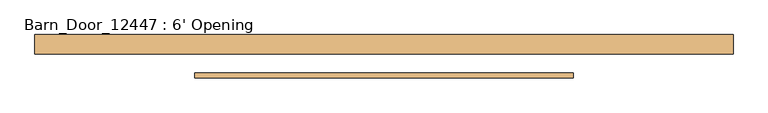
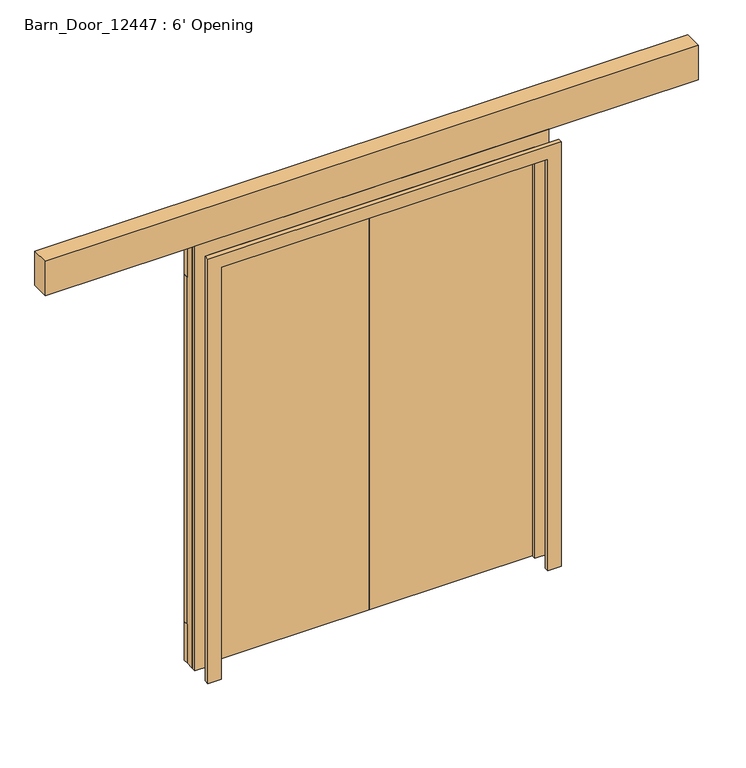
"""IFC4 building model written with IfcOpenShell, lengths in millimetres: door geometry, Barn_Door_12447 : 6' Opening."""

from ifc_helpers import new_model, si_unit, frame, origin, origin_with_axes, place, context, project, spatial, polyline, outline, extrude, source, transform, mapped, element, save


def barn_door_12447_6_opening_7ce40db5(model_context):
    return source(origin(), model_context, "Body", "SweptSolid", [
        extrude(outline(polyline([(2438.4, -914.4), (2438.4, 914.4), (0.0, 914.4), (0.0, 990.6), (2514.6, 990.6), (2514.6, -990.6), (0.0, -990.6), (0.0, -914.4), (2438.4, -914.4)])), frame((0.0, -75.4, 0.0), z_axis=(0.0, 1.0, 0.0), x_axis=(0.0, 0.0, 1.0)), (0.0, 0.0, 1.0), 25.4),
        extrude(outline(polyline([(2438.4, -914.4), (2438.4, 914.4), (0.0, 914.4), (0.0, 990.6), (2514.6, 990.6), (2514.6, -990.6), (0.0, -990.6), (0.0, -914.4), (2438.4, -914.4)])), frame((0.0, 50.0, 0.0), z_axis=(0.0, 1.0, 0.0), x_axis=(0.0, 0.0, 1.0)), (0.0, 0.0, 1.0), 25.4),
        extrude(outline(polyline([(0.0, 126.2), (-990.6, 126.2), (-990.6, 151.6), (0.0, 151.6), (0.0, 126.2)])), frame((0.0, 0.0, 2286.0), z_axis=(0.0, 0.0, 1.0), x_axis=(1.0, 0.0, 0.0)), (0.0, 0.0, 1.0), 228.6),
        extrude(outline(polyline([(0.0, 126.2), (-990.6, 126.2), (-990.6, 151.6), (0.0, 151.6), (0.0, 126.2)])), origin_with_axes(), (0.0, 0.0, 1.0), 228.6),
        extrude(outline(polyline([(990.6, 126.2), (0.0, 126.2), (0.0, 151.6), (990.6, 151.6), (990.6, 126.2)])), frame((0.0, 0.0, 2286.0), z_axis=(0.0, 0.0, 1.0), x_axis=(1.0, 0.0, 0.0)), (0.0, 0.0, 1.0), 228.6),
        extrude(outline(polyline([(990.6, 126.2), (0.0, 126.2), (0.0, 151.6), (990.6, 151.6), (990.6, 126.2)])), origin_with_axes(), (0.0, 0.0, 1.0), 228.6),
        extrude(outline(polyline([(1828.8, 50.0), (-1828.8, 50.0), (-1828.8, 151.6), (1828.8, 151.6), (1828.8, 50.0)])), frame((0.0, 0.0, 2514.6), z_axis=(0.0, 0.0, 1.0), x_axis=(1.0, 0.0, 0.0)), (0.0, 0.0, 1.0), 203.2),
        extrude(outline(polyline([(0.0, 75.4), (-990.6, 75.4), (-990.6, 126.2), (0.0, 126.2), (0.0, 75.4)])), origin_with_axes(), (0.0, 0.0, 1.0), 2590.8),
        extrude(outline(polyline([(990.6, 75.4), (0.0, 75.4), (0.0, 126.2), (990.6, 126.2), (990.6, 75.4)])), origin_with_axes(), (0.0, 0.0, 1.0), 2590.8),
        extrude(outline(polyline([(228.6, -762.0), (228.6, -518.4494226), (2286.0, -228.6), (2286.0, -472.1497882), (228.6, -762.0)])), frame((0.0, 126.2, 0.0), z_axis=(0.0, 1.0, 0.0), x_axis=(0.0, 0.0, 1.0)), (0.0, 0.0, 1.0), 25.4),
        extrude(outline(polyline([(228.6, -228.6), (2286.0, -518.4502118), (2286.0, -762.0), (228.6, -472.1505774), (228.6, -228.6)])), frame((0.0, 126.2, 0.0), z_axis=(0.0, 1.0, 0.0), x_axis=(0.0, 0.0, 1.0)), (0.0, 0.0, 1.0), 25.4),
        extrude(outline(polyline([(228.6, 228.6), (228.6, 472.1505774), (2286.0, 762.0), (2286.0, 518.4502118), (228.6, 228.6)])), frame((0.0, 126.2, 0.0), z_axis=(0.0, 1.0, 0.0), x_axis=(0.0, 0.0, 1.0)), (0.0, 0.0, 1.0), 25.4),
        extrude(outline(polyline([(-762.0, 126.2), (-990.6, 126.2), (-990.6, 151.6), (-762.0, 151.6), (-762.0, 126.2)])), frame((0.0, 0.0, 228.6), z_axis=(0.0, 0.0, 1.0), x_axis=(1.0, 0.0, 0.0)), (0.0, 0.0, 1.0), 2057.4),
        extrude(outline(polyline([(0.0, 126.2), (-228.6, 126.2), (-228.6, 151.6), (0.0, 151.6), (0.0, 126.2)])), frame((0.0, 0.0, 228.6), z_axis=(0.0, 0.0, 1.0), x_axis=(1.0, 0.0, 0.0)), (0.0, 0.0, 1.0), 2057.4),
        extrude(outline(polyline([(228.6, 762.0), (2286.0, 472.1497882), (2286.0, 228.6), (228.6, 518.4494226), (228.6, 762.0)])), frame((0.0, 126.2, 0.0), z_axis=(0.0, 1.0, 0.0), x_axis=(0.0, 0.0, 1.0)), (0.0, 0.0, 1.0), 25.4),
        extrude(outline(polyline([(228.6, 126.2), (0.0, 126.2), (0.0, 151.6), (228.6, 151.6), (228.6, 126.2)])), frame((0.0, 0.0, 228.6), z_axis=(0.0, 0.0, 1.0), x_axis=(1.0, 0.0, 0.0)), (0.0, 0.0, 1.0), 2057.4),
        extrude(outline(polyline([(990.6, 126.2), (762.0, 126.2), (762.0, 151.6), (990.6, 151.6), (990.6, 126.2)])), frame((0.0, 0.0, 228.6), z_axis=(0.0, 0.0, 1.0), x_axis=(1.0, 0.0, 0.0)), (0.0, 0.0, 1.0), 2057.4),
    ])


if __name__ == "__main__":
    model = new_model("IFC4")
    model_context = context("Model", 3, world=origin())
    ifc_project = project(units=[si_unit("LENGTHUNIT", "METRE", prefix="MILLI")], contexts=[model_context])
    site = spatial("IfcSite", under=ifc_project)
    building = spatial("IfcBuilding", under=site)
    placement = place(None, origin())
    barn_door_12447_6_opening_shape = barn_door_12447_6_opening_7ce40db5(model_context)
    element("IfcDoor", 1, ObjectType="Barn_Door_12447 : 6' Opening", at=placement, inside=building, context=model_context, shape_type="MappedRepresentation", body=[
        mapped(barn_door_12447_6_opening_shape, transform((0.0, 0.0, 0.0), x_axis=(1.0, 0.0, 0.0), y_axis=(0.0, 1.0, 0.0), z_axis=(0.0, 0.0, 1.0))),
    ])
    save(model, "model.ifc")
